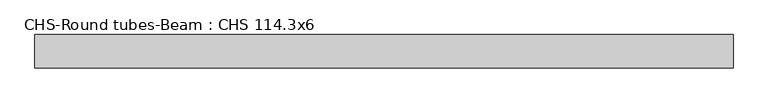
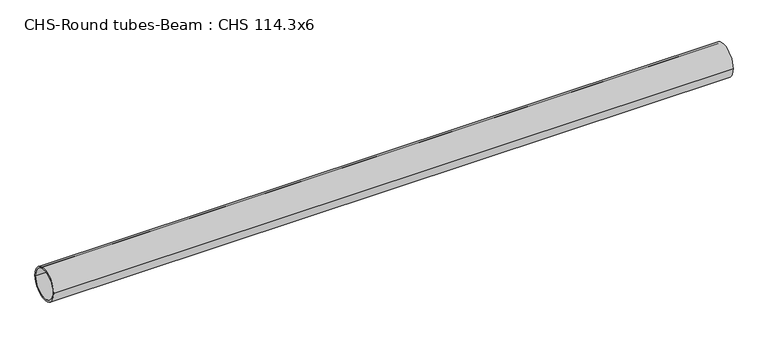
"""IFC4 building model written with IfcOpenShell, lengths in millimetres: beam geometry, CHS-Round tubes-Beam : CHS 114.3x6."""

from ifc_helpers import new_model, si_unit, point, frame, origin, origin_2d, place, context, project, spatial, circle_curve, trimmed, segment, composite_curve, outline, extrude, source, transform, mapped, element, save


def chs_round_tubes_beam_chs_114_3x6_a200dc42(model_context):
    return source(origin(), model_context, "Body", "SweptSolid", [
        extrude(outline(composite_curve([segment(trimmed(circle_curve(origin_2d(), 57.15), [point((57.15, 0.0))], [point((-57.15, 0.0))], False, "CARTESIAN"), True, "CONTINUOUS"), segment(trimmed(circle_curve(origin_2d(), 57.15), [point((-57.15, 0.0))], [point((57.15, 0.0))], False, "CARTESIAN"), True, "CONTINUOUS")], self_intersect=False), holes=[composite_curve([segment(trimmed(circle_curve(origin_2d(), 51.15), [point((51.15, 0.0))], [point((-51.15, 0.0))], True, "CARTESIAN"), True, "CONTINUOUS"), segment(trimmed(circle_curve(origin_2d(), 51.15), [point((-51.15, 0.0))], [point((51.15, 0.0))], True, "CARTESIAN"), True, "CONTINUOUS")], self_intersect=False)]), frame((-1143.6068322, 0.0, 0.0), z_axis=(1.0, 0.0, 0.0), x_axis=(0.0, 1.0, 0.0)), (0.0, 0.0, 1.0), 2389.2028548),
    ])


if __name__ == "__main__":
    model = new_model("IFC4")
    model_context = context("Model", 3, world=origin())
    ifc_project = project(units=[si_unit("LENGTHUNIT", "METRE", prefix="MILLI")], contexts=[model_context])
    site = spatial("IfcSite", under=ifc_project)
    building = spatial("IfcBuilding", under=site)
    placement = place(None, origin())
    chs_round_tubes_beam_chs_114_3x6_shape = chs_round_tubes_beam_chs_114_3x6_a200dc42(model_context)
    element("IfcBeam", 1, ObjectType="CHS-Round tubes-Beam : CHS 114.3x6", at=placement, inside=building, context=model_context, shape_type="MappedRepresentation", body=[
        mapped(chs_round_tubes_beam_chs_114_3x6_shape, transform((0.0, 0.0, 0.0), x_axis=(1.0, 0.0, 0.0), y_axis=(0.0, 1.0, 0.0), z_axis=(0.0, 0.0, 1.0))),
    ])
    save(model, "model.ifc")
